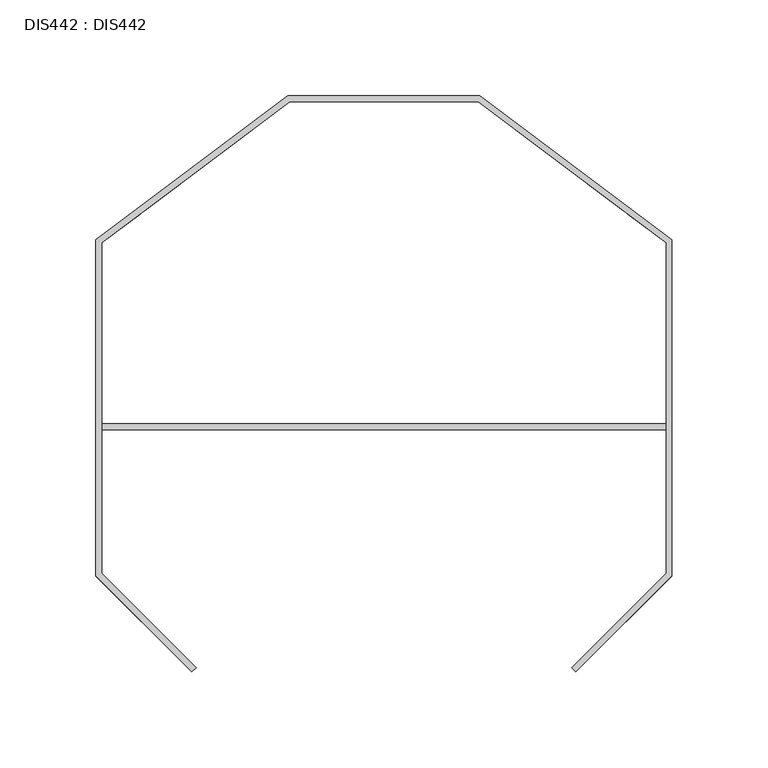
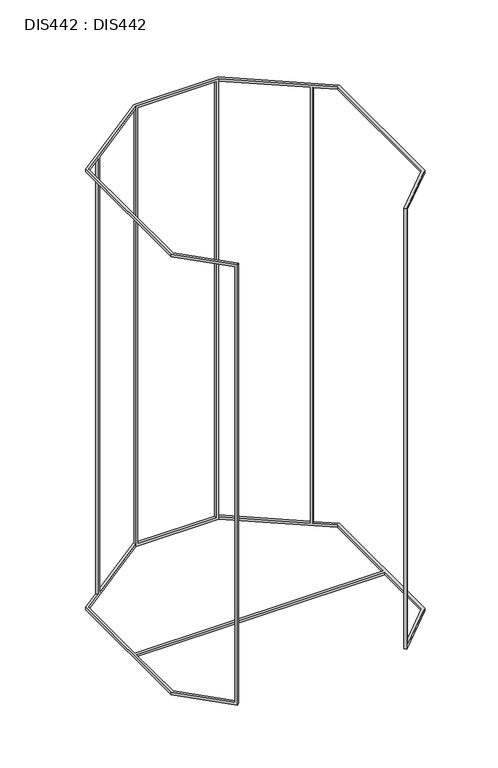
"""IFC4 building model written with IfcOpenShell, lengths in millimetres: proxy geometry, DIS442 : DIS442."""

from ifc_helpers import new_model, si_unit, origin, place, context, project, spatial, faceted_brep, source, transform, mapped, element, save


def dis442_dis442_e02682f1(model_context):
    return source(origin(), model_context, "Body", "Brep", [
        faceted_brep([(47.879999, -297.8800009, 547.0000056), (47.879999, -297.8800009, 3.0), (0.0, -250.0000019, 2.9999986), (0.0, -250.0000019, 0.0), (50.0000004, -300.0000023, 0.0), (50.0000004, -300.0000023, 550.0000042), (0.0, -250.0000019, 550.0000042), (0.0, -250.0000019, 547.0000056), (52.1200018, -297.8800009, 550.0000042), (52.1200018, -297.8800009, 0.0), (50.0000004, -295.7599995, 3.0), (50.0000004, -295.7599995, 547.0000056), (3.0041048, -248.7641038, 547.0000056), (3.0041048, -248.7641038, 550.0000042), (3.0041048, -248.7641038, 0.0), (3.0041048, -248.7641038, 2.9999986), (23.6151927, -57.2635917, 547.0000056), (23.6151927, -57.2635917, 3.0), (100.0000016, -1.5e-06, 2.9999986), (100.0000016, -1.5e-06, 0.0), (0.0, -74.9672522, 0.0), (0.0, -74.9672522, 2.9999986), (21.2103266, -59.0664537, 3.0), (21.2103266, -59.0664537, 547.0000056), (0.0, -74.9672522, 547.0000056), (0.0, -74.9672522, 550.0000042), (100.0000016, -1.5e-06, 550.0000042), (100.0000016, -1.5e-06, 547.0000056), (22.981165, -61.428603, 2.9999986), (22.981165, -61.428603, 547.0000056), (3.0041048, -76.4048555, 2.9999986), (3.0041048, -76.4048555, 0.0), (100.9200027, -3.0, 0.0), (100.9200027, -3.0, 2.9999986), (25.3860311, -59.625741, 3.0), (25.3860311, -59.625741, 547.0000056), (100.9200027, -3.0, 547.0000056), (100.9200027, -3.0, 550.0000042), (3.0041048, -76.4048555, 550.0000042), (3.0041048, -76.4048555, 547.0000056), (199.0799995, -1.5e-06, 547.0000056), (199.0799995, -1.5e-06, 3.0), (200.0000016, -1.5e-06, 2.9999986), (200.0000016, -1.5e-06, 0.0), (100.9200027, -1.5e-06, 3.0), (100.9200027, -1.5e-06, 547.0000056), (200.0000016, -1.5e-06, 550.0000042), (200.0000016, -1.5e-06, 547.0000056), (103.9200013, -1.5e-06, 547.0000056), (103.9200013, -1.5e-06, 3.0), (196.080001, -1.5e-06, 3.0), (196.080001, -1.5e-06, 547.0000056), (199.0799995, -3.0, 0.0), (199.0799995, -3.0, 2.9999986), (199.0799995, -3.0, 547.0000056), (199.0799995, -3.0, 550.0000042), (196.080001, -3.0, 547.0000056), (196.080001, -3.0, 3.0), (103.9200013, -3.0, 3.0), (103.9200013, -3.0, 547.0000056), (274.6015968, -59.6411968, 547.0000056), (274.6015968, -59.6411968, 3.0), (297.0000037, -76.4400017, 0.0), (297.0000037, -76.4400017, 2.9999986), (276.9949841, -61.4362373, 3.0), (276.9949841, -61.4362373, 547.0000056), (297.0000037, -76.4400017, 547.0000056), (297.0000037, -76.4400017, 550.0000042), (278.7661841, -59.0746372, 2.9999986), (278.7661841, -59.0746372, 547.0000056), (300.0000023, -75.0000006, 2.9999986), (300.0000023, -75.0000006, 0.0), (276.3727968, -57.2795968, 3.0), (276.3727968, -57.2795968, 547.0000056), (300.0000023, -75.0000006, 550.0000042), (300.0000023, -75.0000006, 547.0000056), (252.1200033, -297.8800009, 547.0000056), (252.1200033, -297.8800009, 3.0), (250.0000019, -295.7599995, 2.9999986), (250.0000019, -295.7599995, 547.0000056), (297.0000037, -248.7599977, 2.9999986), (297.0000037, -248.7599977, 0.0), (247.8800005, -297.8800009, 0.0), (247.8800005, -297.8800009, 550.0000042), (297.0000037, -248.7599977, 550.0000042), (297.0000037, -248.7599977, 547.0000056), (250.0000019, -300.0000023, 550.0000042), (250.0000019, -300.0000023, 0.0), (300.0000023, -250.0000019, 547.0000056), (300.0000023, -250.0000019, 550.0000042), (300.0000023, -250.0000019, 0.0), (300.0000023, -250.0000019, 2.9999986), (3.0041048, -173.7599971, 2.9999986), (297.0000037, -173.7599971, 2.9999986), (297.0000037, -170.7599985, 2.9999986), (3.0041048, -170.7599985, 2.9999986), (297.0000037, -173.7599971, 0.0), (3.0041048, -173.7599971, 0.0), (3.0041048, -170.7599985, 0.0), (297.0000037, -170.7599985, 0.0)], [[[0, 1, 2, 3, 4, 5, 6, 7]], [[8, 5, 4, 9]], [[10, 11, 12, 13, 8, 9, 14, 15]], [[1, 0, 11, 10]], [[16, 17, 18, 19, 20, 21, 22, 23, 24, 25, 26, 27]], [[23, 22, 28, 29]], [[29, 28, 30, 31, 32, 33, 34, 35, 36, 37, 38, 39]], [[17, 16, 35, 34]], [[40, 41, 42, 43, 19, 18, 44, 45, 27, 26, 46, 47], [48, 49, 50, 51]], [[45, 44, 33, 36]], [[36, 33, 32, 52, 53, 54, 55, 37], [56, 57, 58, 59]], [[49, 48, 59, 58]], [[51, 50, 57, 56]], [[41, 40, 54, 53]], [[60, 61, 53, 52, 62, 63, 64, 65, 66, 67, 55, 54]], [[65, 64, 68, 69]], [[69, 68, 70, 71, 43, 42, 72, 73, 47, 46, 74, 75]], [[61, 60, 73, 72]], [[76, 77, 78, 79]], [[79, 78, 80, 81, 82, 83, 84, 85]], [[86, 83, 82, 87]], [[77, 76, 88, 89, 86, 87, 90, 91]], [[8, 13, 38, 37, 55, 67, 84, 83, 86, 89, 74, 46, 26, 25, 6, 5]], [[16, 27, 45, 36, 35]], [[48, 51, 56, 59]], [[40, 47, 73, 60, 54]], [[7, 24, 23, 29, 39, 12, 11, 0]], [[75, 88, 76, 79, 85, 66, 65, 69]], [[38, 13, 12, 39]], [[84, 67, 66, 85]], [[74, 89, 88, 75]], [[6, 25, 24, 7]], [[18, 17, 34, 33, 44]], [[42, 41, 53, 61, 72]], [[58, 57, 50, 49]], [[15, 92, 93, 80, 78, 77, 91, 70, 68, 64, 63, 94, 95, 30, 28, 22, 21, 2, 1, 10]], [[9, 4, 3, 20, 19, 43, 71, 90, 87, 82, 81, 96, 97, 14], [32, 31, 98, 99, 62, 52]], [[92, 15, 14, 97]], [[80, 93, 96, 81]], [[70, 91, 90, 71]], [[2, 21, 20, 3]], [[93, 92, 97, 96]], [[94, 63, 62, 99]], [[95, 94, 99, 98]], [[30, 95, 98, 31]]]),
    ])


if __name__ == "__main__":
    model = new_model("IFC4")
    model_context = context("Model", 3, world=origin())
    ifc_project = project(units=[si_unit("LENGTHUNIT", "METRE", prefix="MILLI")], contexts=[model_context])
    site = spatial("IfcSite", under=ifc_project)
    building = spatial("IfcBuilding", under=site)
    placement = place(None, origin())
    dis442_dis442_shape = dis442_dis442_e02682f1(model_context)
    element("IfcBuildingElementProxy", 1, Name="DIS442 : DIS442", ObjectType="DIS442 : DIS442", at=placement, inside=building, context=model_context, shape_type="MappedRepresentation", body=[
        mapped(dis442_dis442_shape, transform((0.0, 0.0, 0.0), x_axis=(1.0, 0.0, 0.0), y_axis=(0.0, 1.0, 0.0), z_axis=(0.0, 0.0, 1.0))),
    ])
    save(model, "model.ifc")
